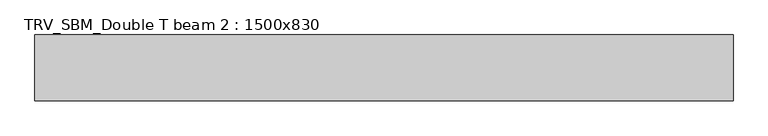
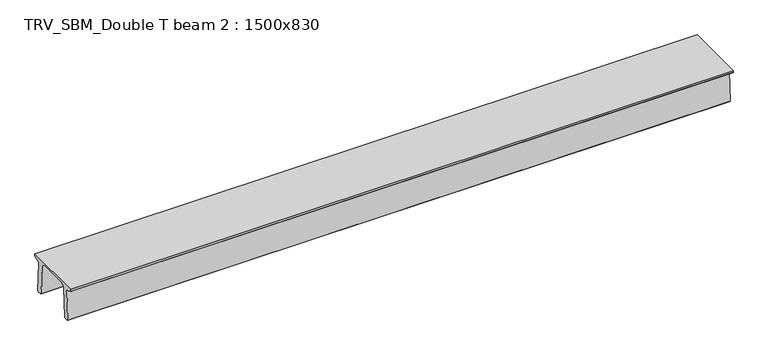
"""IFC4 building model written with IfcOpenShell, lengths in millimetres: beam geometry, TRV_SBM_Double T beam 2 : 1500x830."""

from ifc_helpers import new_model, si_unit, frame, origin, place, context, project, spatial, polyline, outline, extrude, source, transform, mapped, element, save


def trv_sbm_double_t_beam_2_1500x830_c1412fa4(model_context):
    return source(origin(), model_context, "Body", "SweptSolid", [
        extrude(outline(polyline([(337.4555014, 470.0), (-343.4555014, 470.0), (-456.5828437, 409.8491251), (-494.786332, -340.5206011), (-514.2657308, -360.0), (-604.2657308, -360.0), (-624.8277662, -339.4379646), (-586.9373878, 401.9654693), (-752.8511046, 468.9989621), (-753.0, 475.0), (-753.0, 520.0), (747.0, 520.0), (747.0, 475.0), (746.8511046, 468.9989621), (580.9373878, 401.9654693), (618.8277662, -339.4379646), (598.2657308, -360.0), (508.2657308, -360.0), (488.786332, -340.5206011), (450.5828437, 409.8491251), (337.4555014, 470.0)])), frame((-7969.5, 0.0, 0.0), z_axis=(1.0, 0.0, 0.0), x_axis=(0.0, 1.0, 0.0)), (0.0, 0.0, 1.0), 15939.0),
    ])


if __name__ == "__main__":
    model = new_model("IFC4")
    model_context = context("Model", 3, world=origin())
    ifc_project = project(units=[si_unit("LENGTHUNIT", "METRE", prefix="MILLI")], contexts=[model_context])
    site = spatial("IfcSite", under=ifc_project)
    building = spatial("IfcBuilding", under=site)
    placement = place(None, origin())
    trv_sbm_double_t_beam_2_1500x830_shape = trv_sbm_double_t_beam_2_1500x830_c1412fa4(model_context)
    element("IfcBeam", 1, ObjectType="TRV_SBM_Double T beam 2 : 1500x830", at=placement, inside=building, context=model_context, shape_type="MappedRepresentation", body=[
        mapped(trv_sbm_double_t_beam_2_1500x830_shape, transform((0.0, 0.0, 0.0), x_axis=(1.0, 0.0, 0.0), y_axis=(0.0, 1.0, 0.0), z_axis=(0.0, 0.0, 1.0))),
    ])
    save(model, "model.ifc")
